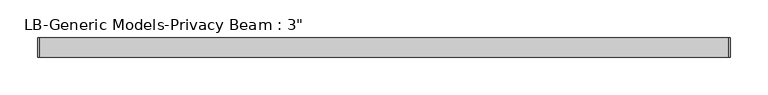
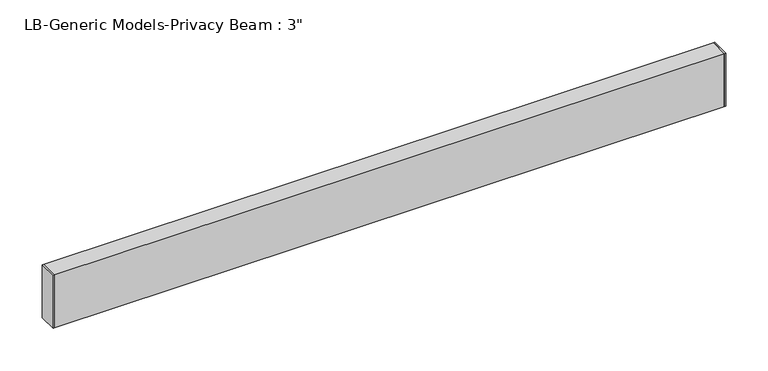
"""IFC4 building model written with IfcOpenShell, lengths in millimetres: proxy geometry."""

from ifc_helpers import new_model, si_unit, frame, origin, place, context, project, spatial, polyline, outline, extrude, source, transform, mapped, element, save


def proxy_e55cd2f3(model_context):
    return source(origin(), model_context, "Body", "SweptSolid", [
        extrude(outline(polyline([(0.0, -12.7), (0.0, 12.7), (1.651, 12.7), (1.651, -12.7), (0.0, -12.7)])), frame((0.0, 0.0, -38.1), z_axis=(0.0, 0.0, 1.0), x_axis=(1.0, 0.0, 0.0)), (0.0, 0.0, 1.0), 76.2),
        extrude(outline(polyline([(914.4, -12.7), (912.749, -12.7), (912.749, 12.7), (914.4, 12.7), (914.4, -12.7)])), frame((0.0, 0.0, -38.1), z_axis=(0.0, 0.0, 1.0), x_axis=(1.0, 0.0, 0.0)), (0.0, 0.0, 1.0), 76.2),
        extrude(outline(polyline([(12.7, 38.1), (12.7, -38.1), (-12.7, -38.1), (-12.7, 38.1), (12.7, 38.1)]), holes=[polyline([(11.176, 36.576), (-11.176, 36.576), (-11.176, -36.576), (11.176, -36.576), (11.176, 36.576)])]), frame((1.651, 0.0, 0.0), z_axis=(1.0, 0.0, 0.0), x_axis=(0.0, 1.0, 0.0)), (0.0, 0.0, 1.0), 911.098),
    ])


if __name__ == "__main__":
    model = new_model("IFC4")
    model_context = context("Model", 3, world=origin())
    ifc_project = project(units=[si_unit("LENGTHUNIT", "METRE", prefix="MILLI")], contexts=[model_context])
    site = spatial("IfcSite", under=ifc_project)
    building = spatial("IfcBuilding", under=site)
    placement = place(None, origin())
    proxy_shape = proxy_e55cd2f3(model_context)
    element("IfcBuildingElementProxy", 1, Name="LB-Generic Models-Privacy Beam : 3\"", ObjectType="LB-Generic Models-Privacy Beam : 3\"", at=placement, inside=building, context=model_context, shape_type="MappedRepresentation", body=[
        mapped(proxy_shape, transform((0.0, 0.0, 0.0), x_axis=(1.0, 0.0, 0.0), y_axis=(0.0, 1.0, 0.0), z_axis=(0.0, 0.0, 1.0))),
    ])
    save(model, "model.ifc")
